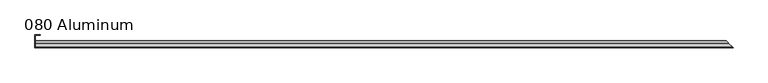
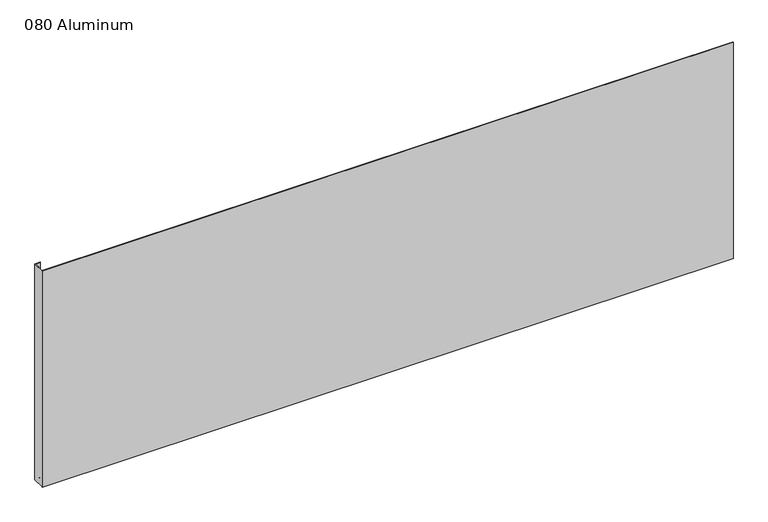
"""IFC4 building model written with IfcOpenShell, lengths in millimetres: plate geometry, 080 Aluminum."""

import ifcopenshell
import ifcopenshell.guid

model = None  # the IFC model being written
_history = None  # IfcOwnerHistory: only IFC2X3 demands one
_inside = {}  # id of a spatial element -> (the spatial element, [elements in it])
_under = {}  # id of a project, library or spatial element -> (it, [spatial elements below it])
_declared = {}  # id of a project -> (the project, [libraries it declares])
_typed = {}  # id of a type object -> (the type object, [elements of that type])
_made_of = {}  # id of a material, layer set ... -> (it, [elements and type objects made of it])


def new_model(schema):
    """Start an empty IFC model of exactly this schema.

    Asked for "IFC4X3", IfcOpenShell would pick the latest addendum, in which some entities
    have other attributes; the version numbers below select the first issue.
    IFC2X3 requires an IfcOwnerHistory on every rooted entity: one is made here for all.
    """
    global model, _history
    if schema == "IFC4X3":
        model = ifcopenshell.file(schema_version=(4, 3, 0, 0))
    else:
        model = ifcopenshell.file(schema=schema)
    _inside.clear()
    _under.clear()
    _declared.clear()
    _typed.clear()
    _made_of.clear()
    _history = None
    if model.schema == "IFC2X3":
        org = make("IfcOrganization", Name="unknown")
        user = make(
            "IfcPersonAndOrganization",
            ThePerson=make("IfcPerson", FamilyName="unknown"),
            TheOrganization=org,
        )
        app = make(
            "IfcApplication",
            ApplicationDeveloper=org,
            Version="unknown",
            ApplicationFullName="unknown",
            ApplicationIdentifier="unknown",
        )
        _history = make(
            "IfcOwnerHistory",
            OwningUser=user,
            OwningApplication=app,
            ChangeAction="ADDED",
            CreationDate=0,
        )
    return model


def make(cls, **values):
    """One entity of the class cls with the attributes given. An attribute that is None is left unset."""
    return model.create_entity(
        cls, **{name: value for name, value in values.items() if value is not None}
    )


def rooted(cls, **values):
    """An entity with a GlobalId (a new one), such as an element, a storey or a relation."""
    return make(cls, GlobalId=ifcopenshell.guid.new(), OwnerHistory=_history, **values)


def si_unit(unit_type, name, prefix=None):
    """IfcSIUnit, for example si_unit("LENGTHUNIT", "METRE", prefix="MILLI")."""
    return make("IfcSIUnit", UnitType=unit_type, Prefix=prefix, Name=name)


def assignment(units):
    """IfcUnitAssignment: the units of a project."""
    return None if units is None else make("IfcUnitAssignment", Units=units)


def point(xyz):
    """IfcCartesianPoint."""
    return None if xyz is None else make("IfcCartesianPoint", Coordinates=xyz)


def direction(xyz):
    """IfcDirection."""
    return None if xyz is None else make("IfcDirection", DirectionRatios=xyz)


def frame(location, z_axis=None, x_axis=None):
    """IfcAxis2Placement3D, a coordinate frame: its origin and axes. An axis left out is left unset."""
    return make(
        "IfcAxis2Placement3D",
        Location=point(location),
        Axis=direction(z_axis),
        RefDirection=direction(x_axis),
    )


def origin():
    """The frame at (0, 0, 0) with its axes left unset."""
    return frame((0.0, 0.0, 0.0))


def origin_with_axes():
    """The frame at (0, 0, 0) with the z axis (0, 0, 1) and the x axis (1, 0, 0) written out."""
    return frame((0.0, 0.0, 0.0), z_axis=(0.0, 0.0, 1.0), x_axis=(1.0, 0.0, 0.0))


def place(relative_to, where):
    """IfcLocalPlacement: puts the frame where relative to a parent placement (None: the world)."""
    return make(
        "IfcLocalPlacement", PlacementRelTo=relative_to, RelativePlacement=where
    )


def context(
    kind, dimensions, precision=None, world=None, true_north=None, identifier=None
):
    """IfcGeometricRepresentationContext, for example the 3D "Model" context."""
    return make(
        "IfcGeometricRepresentationContext",
        ContextIdentifier=identifier,
        ContextType=kind,
        CoordinateSpaceDimension=dimensions,
        Precision=precision,
        WorldCoordinateSystem=world,
        TrueNorth=true_north,
    )


def project(units=None, contexts=None):
    """IfcProject with its units and contexts."""
    return rooted(
        "IfcProject",
        Name="project",
        RepresentationContexts=contexts,
        UnitsInContext=assignment(units),
    )


def spatial(cls, under=None, at=None, **own):
    """A site, building, storey or space (cls), placed at a placement, below another one or the project."""
    s = rooted(cls, ObjectPlacement=at, **own)
    if under is not None:
        _under.setdefault(under.id(), (under, []))[1].append(s)
    return s


def polyline(points):
    """IfcPolyline through the points."""
    return make("IfcPolyline", Points=[point(p) for p in points])


def circle_curve(where, radius):
    """IfcCircle in the frame where."""
    return make("IfcCircle", Position=where, Radius=radius)


def ellipse_curve(where, semi_axis1, semi_axis2):
    """IfcEllipse in the frame where."""
    return make(
        "IfcEllipse", Position=where, SemiAxis1=semi_axis1, SemiAxis2=semi_axis2
    )


def outline(outer, holes=None, kind="AREA"):
    """IfcArbitraryClosedProfileDef: a profile drawn as a closed curve; with holes, ...WithVoids."""
    if holes is None:
        return make("IfcArbitraryClosedProfileDef", ProfileType=kind, OuterCurve=outer)
    return make(
        "IfcArbitraryProfileDefWithVoids",
        ProfileType=kind,
        OuterCurve=outer,
        InnerCurves=holes,
    )


def extrude(swept, where, along, depth):
    """IfcExtrudedAreaSolid: the profile swept, set in the frame where, extruded along a direction by depth."""
    return make(
        "IfcExtrudedAreaSolid",
        SweptArea=swept,
        Position=where,
        ExtrudedDirection=direction(along),
        Depth=depth,
    )


def shape(context_of_items, identifier, shape_type, items):
    """IfcShapeRepresentation: the items that make up one representation, for example the "Body"."""
    return make(
        "IfcShapeRepresentation",
        ContextOfItems=context_of_items,
        RepresentationIdentifier=identifier,
        RepresentationType=shape_type,
        Items=items,
    )


def source(mapping_origin, context_of_items, identifier, shape_type, items):
    """IfcRepresentationMap: a shape defined once, which mapped items show again and again."""
    return make(
        "IfcRepresentationMap",
        MappingOrigin=mapping_origin,
        MappedRepresentation=shape(context_of_items, identifier, shape_type, items),
    )


def transform(
    local_origin,
    x_axis=None,
    y_axis=None,
    z_axis=None,
    scale=None,
    scale2=None,
    scale3=None,
    uniform=True,
):
    """IfcCartesianTransformationOperator3D, or its non-uniform kind. x_axis, y_axis, z_axis: its Axis1, 2, 3."""
    if uniform:
        return make(
            "IfcCartesianTransformationOperator3D",
            Axis1=direction(x_axis),
            Axis2=direction(y_axis),
            LocalOrigin=point(local_origin),
            Scale=scale,
            Axis3=direction(z_axis),
        )
    return make(
        "IfcCartesianTransformationOperator3DnonUniform",
        Axis1=direction(x_axis),
        Axis2=direction(y_axis),
        LocalOrigin=point(local_origin),
        Scale=scale,
        Axis3=direction(z_axis),
        Scale2=scale2,
        Scale3=scale3,
    )


def mapped(mapping_source, mapping_target):
    """IfcMappedItem: shows the shape of a source again, moved by a transform."""
    return make(
        "IfcMappedItem", MappingSource=mapping_source, MappingTarget=mapping_target
    )


def made_of(thing, what):
    """Note that an element or type object is made of a material, layer set ...; save() writes the relation."""
    if what is not None:
        _made_of.setdefault(what.id(), (what, []))[1].append(thing)
    return thing


def element(
    cls,
    number,
    at=None,
    inside=None,
    cuts=None,
    type_object=None,
    material=None,
    context=None,
    identifier="Body",
    shape_type=None,
    held_by="IfcProductDefinitionShape",
    body=None,
    shapes=None,
    **own,
):
    """One element of the class cls, such as IfcWall. Its Tag is "e" and its number.

    at: its placement. inside: the storey or other place that contains it. cuts: it is an
    opening in that element (IfcRelVoidsElement). A single representation is given by context,
    identifier, shape_type and body (its items); several are given by shapes. held_by: the class
    of the entity that holds the representations. save() writes the other relations.
    """
    e = rooted(cls, Tag="e%d" % number, ObjectPlacement=at, **own)
    if body is not None:
        shapes = [shape(context, identifier, shape_type, body)]
    if shapes is not None:
        e.Representation = make(held_by, Representations=shapes)
    if inside is not None:
        _inside.setdefault(inside.id(), (inside, []))[1].append(e)
    if cuts is not None:
        rooted(
            "IfcRelVoidsElement", RelatingBuildingElement=cuts, RelatedOpeningElement=e
        )
    if type_object is not None:
        _typed.setdefault(type_object.id(), (type_object, []))[1].append(e)
    return made_of(e, material)


def aggregate(whole, parts):
    """IfcRelAggregates: a whole, such as a stair, and the parts it consists of."""
    return rooted("IfcRelAggregates", RelatingObject=whole, RelatedObjects=parts)


def save(model, path):
    """Write the relations noted so far, then the file.

    IfcRelAggregates (storeys below a building ...), IfcRelContainedInSpatialStructure (elements
    in a storey), IfcRelDefinesByType, IfcRelAssociatesMaterial and IfcRelDeclares: one each for
    every whole, place, type object, material and project.
    """
    for whole, parts in _under.values():
        aggregate(whole, parts)
    for where, things in _inside.values():
        rooted(
            "IfcRelContainedInSpatialStructure",
            RelatedElements=things,
            RelatingStructure=where,
        )
    for kind, things in _typed.values():
        rooted("IfcRelDefinesByType", RelatedObjects=things, RelatingType=kind)
    for what, things in _made_of.values():
        rooted("IfcRelAssociatesMaterial", RelatedObjects=things, RelatingMaterial=what)
    for by, libraries in _declared.values():
        rooted("IfcRelDeclares", RelatingContext=by, RelatedDefinitions=libraries)
    model.write(path)


def plane_surface(at):
    """IfcPlane: the flat surface through the origin of the frame at, square to its z axis."""
    return make("IfcPlane", Position=at)


def cylinder_surface(at, radius):
    """IfcCylindricalSurface: all points at the distance radius from the z axis of the frame at."""
    return make("IfcCylindricalSurface", Position=at, Radius=radius)


def revolved_surface(curve, axis_point, axis_direction):
    """IfcSurfaceOfRevolution: the curve turned about the line through axis_point along axis_direction."""
    return make(
        "IfcSurfaceOfRevolution",
        SweptCurve=make("IfcArbitraryOpenProfileDef", ProfileType="CURVE", Curve=curve),
        AxisPosition=make("IfcAxis1Placement", Location=point(axis_point), Axis=direction(axis_direction)),
    )


def advanced_brep(points, edges, surfaces, faces):
    """IfcAdvancedBrep: a solid bounded by faces that lie on surfaces and meet in shared edges.

    An edge is (start, end): straight between two places in points (the first is 0);
    or (start, end, curve); or (start, end, curve, False) where it runs against its curve.
    A face is (place in surfaces, loops), or (place, loops, False) where it looks against
    its surface's normal. A loop lists edges by number (the first is 1), with a minus sign
    where the edge is run from its end to its start. The first loop is the outer one.
    """
    corners = [point(p) for p in points]
    vertices = [make("IfcVertexPoint", VertexGeometry=c) for c in corners]
    made = []
    for start, end, *more in edges:
        made.append(
            make(
                "IfcEdgeCurve",
                EdgeStart=vertices[start],
                EdgeEnd=vertices[end],
                EdgeGeometry=more[0] if more else make("IfcPolyline", Points=[corners[start], corners[end]]),
                SameSense=more[1] if len(more) > 1 else True,
            )
        )
    hull = []
    for where, loops, *sense in faces:
        bounds = []
        for j, loop in enumerate(loops):
            ring = [make("IfcOrientedEdge", EdgeElement=made[abs(k) - 1], Orientation=k > 0) for k in loop]
            bounds.append(
                make(
                    "IfcFaceOuterBound" if j == 0 else "IfcFaceBound",
                    Bound=make("IfcEdgeLoop", EdgeList=ring),
                    Orientation=True,
                )
            )
        hull.append(make("IfcAdvancedFace", Bounds=bounds, FaceSurface=surfaces[where], SameSense=sense[0] if sense else True))
    return make("IfcAdvancedBrep", Outer=make("IfcClosedShell", CfsFaces=hull))


def plate_080_aluminum_f7554564(model_context):
    return source(origin(), model_context, "Body", "SolidModel", [
        extrude(outline(polyline([(-919.4800002, -2.5660257), (-919.4800002, -34.7980001), (-920.7500001, -34.7980001), (-920.7500001, -1.2699999), (-906.5894996, -1.2699999), (-906.5894996, -2.5660257), (-919.4800002, -2.5660257)])), origin_with_axes(), (0.0, 0.0, 1.0), 621.03),
        advanced_brep(
        [(-919.4800002, -16.6765477, 13.1458337), (-919.4800002, -16.6765477, 2.786437), (-919.4800002, -17.9464915, 2.786437), (-919.4800002, -17.9464915, 13.1323356), (-919.4800002, -21.7564743, 13.124237), (-919.4800002, -21.7564743, 0.0), (-919.4800002, -34.7980002, 0.0), (-919.4800002, -34.7980002, 1.2693678), (-919.4800002, -23.0264743, 1.2693678), (-919.4800002, -23.0264743, 13.124237), (937.4265479, -16.6765477, 13.1458337), (937.4265479, -16.6765477, 2.786437), (938.6964916, -17.9464915, 2.786437), (938.6964916, -17.9464915, 13.1323356), (942.5064744, -21.7564743, 13.124237), (942.5064744, -21.7564743, 0.0), (955.5480002, -34.798, 0.0), (955.5480003, -34.7980002, 1.2693678), (943.7764744, -23.0264743, 1.2693678), (943.7764744, -23.0264743, 13.124237)],
        [
            (0, 1),
            (1, 2),
            (2, 3),
            (3, 4, circle_curve(frame((-919.4800002, -19.8514743, 13.124237), z_axis=(1.0, 0.0, 0.0), x_axis=(0.0, 0.0, -1.0)), 1.905)),
            (4, 5),
            (5, 6),
            (6, 7),
            (7, 8),
            (8, 9),
            (9, 0, circle_curve(frame((-919.4800002, -19.8514743, 13.124237), z_axis=(-1.0, 0.0, 0.0), x_axis=(0.0, 0.0, -1.0)), 3.175)),
            (0, 10),
            (10, 11),
            (11, 1),
            (11, 12),
            (12, 2),
            (12, 13),
            (13, 3),
            (13, 14, ellipse_curve(frame((940.6014744, -19.8514743, 13.124237), z_axis=(0.707106781186549, 0.7071067811865461, 0.0), x_axis=(0.7071067811865459, -0.707106781186549, 0.0)), 2.6940768, 1.905)),
            (14, 4),
            (14, 15),
            (15, 5),
            (15, 16),
            (16, 6),
            (16, 17),
            (17, 7),
            (17, 18),
            (18, 8),
            (18, 19),
            (19, 9),
            (19, 10, ellipse_curve(frame((940.6014744, -19.8514743, 13.124237), z_axis=(-0.707106781186549, -0.7071067811865461, 0.0), x_axis=(-0.7071067811865459, 0.707106781186549, 0.0)), 4.4901281, 3.175)),
        ],
        [
            plane_surface(frame((-919.4800002, -36.068, 0.0), z_axis=(-1.0, 0.0, 0.0), x_axis=(0.0, 0.0, 1.0))),
            plane_surface(frame((-919.4800002, -16.6765477, 13.1458337), z_axis=(0.0, 1.0, 0.0), x_axis=(1.0, 0.0, 0.0))),
            plane_surface(frame((-919.4800002, -16.6765477, 2.786437), z_axis=(0.0, 0.0, -1.0), x_axis=(1.0, 0.0, 0.0))),
            plane_surface(frame((-919.4800002, -17.9464915, 2.786437), z_axis=(0.0, -1.0, 0.0), x_axis=(1.0, 0.0, 0.0))),
            revolved_surface(polyline([(942.5064743999999, -19.8514743, 11.219237000000001), (-919.4800002, -19.8514743, 11.219237000000001)]), (-919.4800002, -19.8514743, 13.124237), (1.0, 0.0, 0.0)),
            plane_surface(frame((-919.4800002, -21.7564743, 13.124237), z_axis=(0.0, 1.0, 0.0), x_axis=(1.0, 0.0, 0.0))),
            plane_surface(frame((-919.4800002, -21.7564743, 0.0), z_axis=(0.0, 0.0, -1.0), x_axis=(1.0, 0.0, 0.0))),
            plane_surface(frame((-919.4800002, -34.7980002, 0.0), z_axis=(0.0, -1.0, 0.0), x_axis=(1.0, 0.0, 0.0))),
            plane_surface(frame((-919.4800002, -34.7980002, 1.2693678), z_axis=(0.0, 0.0, 1.0), x_axis=(1.0, 0.0, 0.0))),
            plane_surface(frame((-919.4800002, -23.0264743, 1.2693678), z_axis=(0.0, -1.0, 0.0), x_axis=(1.0, 0.0, 0.0))),
            cylinder_surface(frame((-919.4800002, -19.8514743, 13.124237), z_axis=(-1.0, 0.0, 0.0), x_axis=(0.0, 0.0, -1.0)), 3.175),
            plane_surface(frame((920.7500002, 0.0, 795.4549971), z_axis=(0.707106781186549, 0.7071067811865461, 0.0), x_axis=(0.0, 0.0, -1.0))),
        ],
        [
            (0, [[1, 2, 3, 4, 5, 6, 7, 8, 9, 10]]),
            (1, [[-1, 11, 12, 13]]),
            (2, [[-2, -13, 14, 15]]),
            (3, [[-3, -15, 16, 17]]),
            (4, [[-4, -17, 18, 19]]),
            (5, [[-5, -19, 20, 21]]),
            (6, [[-6, -21, 22, 23]]),
            (7, [[-7, -23, 24, 25]]),
            (8, [[-8, -25, 26, 27]]),
            (9, [[-9, -27, 28, 29]]),
            (10, [[-10, -29, 30, -11]]),
            (11, [[-12, -30, -28, -26, -24, -22, -20, -18, -16, -14]]),
        ],
    ),
        extrude(outline(polyline([(-920.7500002, -36.068), (-920.7500002, -34.7980001), (955.5480002, -34.7980001), (956.8180002, -36.068), (-920.7500002, -36.068)])), origin_with_axes(), (0.0, 0.0, 1.0), 622.3),
    ])


if __name__ == "__main__":
    model = new_model("IFC4")
    model_context = context("Model", 3, world=origin())
    ifc_project = project(units=[si_unit("LENGTHUNIT", "METRE", prefix="MILLI")], contexts=[model_context])
    site = spatial("IfcSite", under=ifc_project)
    building = spatial("IfcBuilding", under=site)
    placement = place(None, origin())
    plate_080_aluminum_shape = plate_080_aluminum_f7554564(model_context)
    element("IfcPlate", 1, ObjectType="080 Aluminum", at=placement, inside=building, context=model_context, shape_type="MappedRepresentation", body=[
        mapped(plate_080_aluminum_shape, transform((0.0, 0.0, 0.0), x_axis=(1.0, 0.0, 0.0), y_axis=(0.0, 1.0, 0.0), z_axis=(0.0, 0.0, 1.0))),
    ])
    save(model, "model.ifc")
